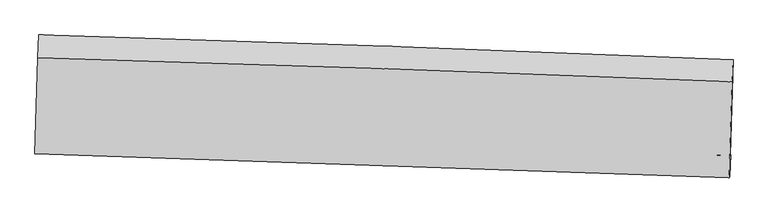
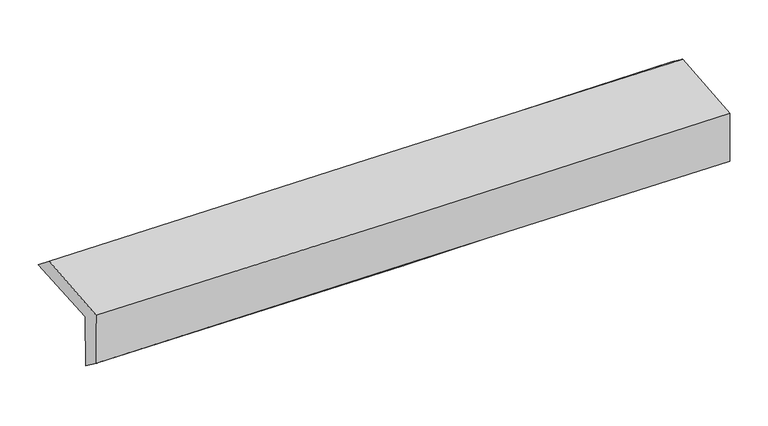
"""IFC4 building model written with IfcOpenShell, lengths in millimetres: proxy geometry."""

from ifc_helpers import new_model, si_unit, frame, origin, place, context, project, spatial, source, transform, mapped, element, save
from ifc_brep_helpers import plane_surface, spline_curve, spline_surface, advanced_brep


def generic_models_70cf8737(model_context):
    return source(origin(), model_context, "Body", "AdvancedBrep", [
        advanced_brep(
        [(-2395.0028054, -1713.9785914, 2001.4080786), (-2374.0525368, -1054.4178869, 2013.2724533), (2383.0707042, -1223.0974724, 2095.3547932), (2362.2947646, -1879.5030511, 2084.548438), (-2389.4513857, -1706.8715432, 1596.5124511), (2367.6927166, -1874.7546377, 1685.6068391), (-2395.9330131, -1860.9667348, 1714.430058), (2361.4838427, -2027.8017374, 1786.8611004), (-2401.3162692, -1867.8584963, 2107.0605846), (2356.0680789, -2034.735116, 2181.8625969), (-2380.679528, -1209.4741527, 2139.906207), (2376.6884387, -1375.3892243, 2211.6236558)],
        [
            (0, 1),
            (1, 2, spline_curve(3, [(-2374.0525368, -1054.4178869, 2013.2724533), (-1577.539588966, -1077.267214932, 2016.557281314), (-781.20096945, -1102.818467066, 2025.090294272), (804.503888929, -1159.089766188, 2052.538035848), (1593.873016385, -1189.765042362, 2071.365803024), (2383.0707042, -1223.0974724, 2095.3547932)], [4, 2, 4], [0.0, 7.842659843321449, 15.620072332318912])),
            (2, 3),
            (3, 0, spline_curve(3, [(2362.2947646, -1879.5030511, 2084.548438), (1572.933960854, -1851.064181962, 2059.971888161), (783.468528451, -1823.106641852, 2040.761680605), (-802.295565407, -1767.923711881, 2012.957809711), (-1598.595989667, -1740.706432352, 2004.454563999), (-2395.0028054, -1713.9785914, 2001.4080786)], [4, 2, 4], [0.0, 7.777412488997463, 15.620072332318912])),
            (4, 0),
            (3, 5),
            (5, 4, spline_curve(3, [(2367.6927166, -1874.7546377, 1685.6068391), (1578.408575868, -1845.138047315, 1658.054795761), (788.994317317, -1816.3942722, 1636.858594771), (-796.718190992, -1760.418534658, 1607.053375215), (-1593.018633198, -1733.201278028, 1598.551447244), (-2389.4513857, -1706.8715432, 1596.5124511)], [4, 2, 4], [0.0, 7.777502249291848, 15.62025260593727])),
            (6, 4),
            (5, 7),
            (7, 6, spline_curve(3, [(2361.4838427, -2027.8017374, 1786.8611004), (1571.937621974, -1998.878425499, 1777.299943904), (782.369236178, -1970.569350806, 1766.513796812), (-803.436008829, -1914.947333996, 1742.390755875), (-1599.673241782, -1887.644741188, 1729.033222213), (-2395.9330131, -1860.9667348, 1714.430058)], [4, 2, 4], [0.0, 7.777310761706522, 15.619868024312243])),
            (8, 6),
            (7, 9),
            (9, 8, spline_curve(3, [(2356.0680789, -2034.735116, 2181.8625969), (1566.629494079, -2005.674006472, 2164.450964852), (777.117837565, -1977.292305828, 2149.527250152), (-808.675714171, -1921.655318641, 2124.551326919), (-1604.958840257, -1894.411479368, 2114.541037489), (-2401.3162692, -1867.8584963, 2107.0605846)], [4, 2, 4], [0.0, 7.77724915740503, 15.619744298889854])),
            (10, 8),
            (9, 11),
            (11, 10, spline_curve(3, [(2376.6884387, -1375.3892243, 2211.6236558), (1587.332692111, -1343.491881713, 2195.917172954), (797.863981174, -1313.76560199, 2182.104497876), (-787.923437762, -1258.423997938, 2158.166772903), (-1584.244049053, -1232.845253799, 2148.073631309), (-2380.679528, -1209.4741527, 2139.906207)], [4, 2, 4], [0.0, 7.777219491263906, 15.619684717728274])),
            (1, 10),
            (11, 2),
        ],
        [
            spline_surface(3, 3, [[(-2395.0028054, -1713.9785914, 2001.4080786), (-1598.59598957, -1740.706432264, 2004.454564019), (-802.295565362, -1767.923711933, 2012.957809677), (783.468528406, -1823.1066418, 2040.761680639), (1572.933960869, -1851.064181976, 2059.971888109), (2362.2947646, -1879.5030511, 2084.548438)], [(-2388.019382525, -1494.125023249, 2005.362870175), (-1591.57718935, -1519.560026504, 2008.488803145), (-795.26403337, -1546.221963655, 2017.001971175), (790.480315273, -1601.767683243, 2044.687132397), (1579.913646073, -1630.631135457, 2063.769859778), (2369.220077802, -1660.701191509, 2088.150556425)], [(-2381.035959675, -1274.271455051, 2009.317661725), (-1584.558389155, -1298.413620696, 2012.523042244), (-788.232501448, -1324.520215391, 2021.046132691), (797.492102069, -1380.428724699, 2048.612584172), (1586.893331271, -1410.198089009, 2067.567831373), (2376.145390998, -1441.899331991, 2091.752674775)], [(-2374.0525368, -1054.4178869, 2013.2724533), (-1577.539588935, -1077.267214936, 2016.55728137), (-781.200969457, -1102.818467113, 2025.090294189), (804.503888936, -1159.089766141, 2052.53803593), (1593.873016475, -1189.765042489, 2071.365803041), (2383.0707042, -1223.0974724, 2095.3547932)]], [4, 4], [4, 2, 4], [0.0, 2.1817806813714817], [0.0, 7.842659843321449, 15.620072332318912]),
            spline_surface(3, 3, [[(-2389.4513857, -1706.8715432, 1596.5124511), (-1593.018633324, -1733.201278087, 1598.551447269), (-796.718191045, -1760.41853461, 1607.053375331), (788.994317369, -1816.394272248, 1636.858594656), (1578.408575838, -1845.138047193, 1658.054795872), (2367.6927166, -1874.7546377, 1685.6068391)], [(-2391.30185894, -1709.240559266, 1731.477660269), (-1594.87775208, -1735.702996145, 1733.852486188), (-798.577315822, -1762.920260377, 1742.354853434), (787.15238771, -1818.631728758, 1771.492956638), (1576.583704163, -1847.113425465, 1792.027159929), (2365.893399248, -1876.337442177, 1818.587372044)], [(-2393.15233216, -1711.609575334, 1866.442869431), (-1596.736870815, -1738.204714206, 1869.1535251), (-800.436440585, -1765.421986166, 1877.656331573), (785.310458065, -1820.869185291, 1906.127318656), (1574.758832544, -1849.088803705, 1925.999524053), (2364.094081952, -1877.920246623, 1951.567905056)], [(-2395.0028054, -1713.9785914, 2001.4080786), (-1598.59598957, -1740.706432264, 2004.454564019), (-802.295565362, -1767.923711933, 2012.957809677), (783.468528406, -1823.1066418, 2040.761680639), (1572.933960869, -1851.064181976, 2059.971888109), (2362.2947646, -1879.5030511, 2084.548438)]], [4, 4], [4, 2, 4], [0.0, 1.3287814167120904], [0.0, 7.842750356645423, 15.62025260593727]),
            spline_surface(3, 3, [[(-2395.9330131, -1860.9667348, 1714.430058), (-1599.673241702, -1887.64474123, 1729.033222214), (-803.436008898, -1914.94733398, 1742.39075592), (782.369236247, -1970.569350822, 1766.513796767), (1571.937622029, -1998.878425621, 1777.299943887), (2361.4838427, -2027.8017374, 1786.8611004)], [(-2393.772470638, -1809.601670916, 1675.124189013), (-1597.455038914, -1836.163586832, 1685.539297212), (-801.196736289, -1863.437734187, 1697.278295725), (784.577596612, -1919.177657961, 1723.295396065), (1574.094606631, -1947.631632819, 1737.551561235), (2363.553467332, -1976.786037507, 1753.109679986)], [(-2391.611928162, -1758.236607084, 1635.818320087), (-1595.236836112, -1784.682432485, 1642.045372271), (-798.957463654, -1811.928134403, 1652.165835526), (786.785957004, -1867.785965109, 1680.076995358), (1576.251591236, -1896.384839996, 1697.803178524), (2365.623091968, -1925.770337593, 1719.358259514)], [(-2389.4513857, -1706.8715432, 1596.5124511), (-1593.018633324, -1733.201278087, 1598.551447269), (-796.718191045, -1760.41853461, 1607.053375331), (788.994317369, -1816.394272248, 1636.858594656), (1578.408575838, -1845.138047193, 1658.054795872), (2367.6927166, -1874.7546377, 1685.6068391)]], [4, 4], [4, 2, 4], [0.0, 0.6678015439037162], [0.0, 7.842557262605721, 15.619868024312243]),
            spline_surface(3, 3, [[(-2401.3162692, -1867.8584963, 2107.0605846), (-1604.958840143, -1894.411479271, 2114.541037619), (-808.67571405, -1921.655318581, 2124.551326949), (777.117837445, -1977.292305888, 2149.527250123), (1566.629494078, -2005.674006468, 2164.45096488), (2356.0680789, -2034.735116, 2181.8625969)], [(-2399.521850507, -1865.561242484, 1976.183742408), (-1603.196974003, -1892.155899942, 1986.038432492), (-806.929145645, -1919.419323744, 1997.164469942), (778.868303733, -1975.051320896, 2021.856099007), (1568.398870074, -2003.408812857, 2035.400624537), (2357.873333513, -2032.423989804, 2050.195431388)], [(-2397.727431793, -1863.263988616, 1845.306900192), (-1601.435107842, -1889.900320559, 1857.535827342), (-805.182577302, -1917.183328817, 1869.777612927), (780.618769959, -1972.810335813, 1894.184947883), (1570.168246033, -2001.143619232, 1906.35028423), (2359.678588087, -2030.112863596, 1918.528265912)], [(-2395.9330131, -1860.9667348, 1714.430058), (-1599.673241702, -1887.64474123, 1729.033222214), (-803.436008898, -1914.94733398, 1742.39075592), (782.369236247, -1970.569350822, 1766.513796767), (1571.937622029, -1998.878425621, 1777.299943887), (2361.4838427, -2027.8017374, 1786.8611004)]], [4, 4], [4, 2, 4], [0.0, 1.2555069907452698], [0.0, 7.842495141484824, 15.619744298889854]),
            spline_surface(3, 3, [[(-2380.679528, -1209.4741527, 2139.906207), (-1584.244049108, -1232.845253733, 2148.07363142), (-787.923437746, -1258.42399784, 2158.166772817), (797.863981158, -1313.765602087, 2182.104497961), (1587.332692007, -1343.491881818, 2195.917172847), (2376.6884387, -1375.3892243, 2211.6236558)], [(-2387.558441709, -1428.935600561, 2128.957666192), (-1591.148979429, -1453.367328907, 2136.896100145), (-794.840863189, -1479.501104746, 2146.961624203), (790.948599912, -1534.941170014, 2171.245415358), (1580.43162603, -1564.219256686, 2185.428436865), (2369.814985433, -1595.171188185, 2201.70330284)], [(-2394.437355491, -1648.397048439, 2118.009125408), (-1598.053909822, -1673.889404097, 2125.718568894), (-801.758288607, -1700.578211674, 2135.756475563), (784.033218691, -1756.116737961, 2160.386332727), (1573.530560055, -1784.9466316, 2174.939700862), (2362.941532167, -1814.953152115, 2191.78294986)], [(-2401.3162692, -1867.8584963, 2107.0605846), (-1604.958840143, -1894.411479271, 2114.541037619), (-808.67571405, -1921.655318581, 2124.551326949), (777.117837445, -1977.292305888, 2149.527250123), (1566.629494078, -2005.674006468, 2164.45096488), (2356.0680789, -2034.735116, 2181.8625969)]], [4, 4], [4, 2, 4], [0.0, 2.1802067485399816], [0.0, 7.842465226464369, 15.619684717728274]),
            spline_surface(3, 3, [[(-2374.0525368, -1054.4178869, 2013.2724533), (-1577.539588935, -1077.267214936, 2016.55728137), (-781.200969457, -1102.818467113, 2025.090294189), (804.503888936, -1159.089766141, 2052.53803593), (1593.873016475, -1189.765042489, 2071.365803041), (2383.0707042, -1223.0974724, 2095.3547932)], [(-2376.261533881, -1106.103308823, 2055.483704543), (-1579.774409007, -1129.126561192, 2060.396064729), (-783.441792242, -1154.686977348, 2069.449120403), (802.290586321, -1210.648378115, 2095.726856612), (1591.692908325, -1241.007322283, 2112.882926293), (2380.943282373, -1273.861389718, 2134.111080717)], [(-2378.470530919, -1157.788730777, 2097.694955757), (-1582.009229037, -1180.985907477, 2104.23484806), (-785.682614961, -1206.555487605, 2113.807946604), (800.077283773, -1262.206990113, 2138.91567728), (1589.512800157, -1292.249602024, 2154.400049595), (2378.815860527, -1324.625306982, 2172.867368283)], [(-2380.679528, -1209.4741527, 2139.906207), (-1584.244049108, -1232.845253733, 2148.07363142), (-787.923437746, -1258.42399784, 2158.166772817), (797.863981158, -1313.765602087, 2182.104497961), (1587.332692007, -1343.491881818, 2195.917172847), (2376.6884387, -1375.3892243, 2211.6236558)]], [4, 4], [4, 2, 4], [0.0, 0.6672586809855028], [0.0, 7.842482575638457, 15.619719271739232]),
            plane_surface(frame((2367.883091, -1735.8802065, 2007.6429039), z_axis=(0.9994062784455083, -0.031848660704475444, 0.013143569341329325), x_axis=(0.013707342997989267, 0.0175484384620348, -0.9997520497880861))),
            plane_surface(frame((-2389.405923, -1568.9279009, 1928.7649721), z_axis=(-0.999402071947092, 0.03198136826600889, -0.013141182279147663), x_axis=(-0.031742831250426, -0.9993344006844647, -0.017976325342762976))),
        ],
        [
            (0, [[1, 2, 3, 4]]),
            (1, [[5, -4, 6, 7]]),
            (2, [[8, -7, 9, 10]]),
            (3, [[11, -10, 12, 13]]),
            (4, [[14, -13, 15, 16]]),
            (5, [[17, -16, 18, -2]]),
            (6, [[-12, -9, -6, -3, -18, -15]]),
            (7, [[-1, -5, -8, -11, -14, -17]]),
        ],
    ),
    ])


if __name__ == "__main__":
    model = new_model("IFC4")
    model_context = context("Model", 3, world=origin())
    ifc_project = project(units=[si_unit("LENGTHUNIT", "METRE", prefix="MILLI")], contexts=[model_context])
    site = spatial("IfcSite", under=ifc_project)
    building = spatial("IfcBuilding", under=site)
    placement = place(None, origin())
    generic_models_shape = generic_models_70cf8737(model_context)
    element("IfcBuildingElementProxy", 1, Name="Generic Models", at=placement, inside=building, context=model_context, shape_type="MappedRepresentation", body=[
        mapped(generic_models_shape, transform((0.0, 0.0, 0.0), x_axis=(1.0, 0.0, 0.0), y_axis=(0.0, 1.0, 0.0), z_axis=(0.0, 0.0, 1.0))),
    ])
    save(model, "model.ifc")
